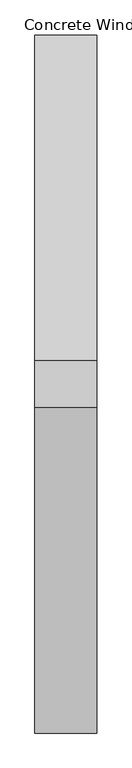
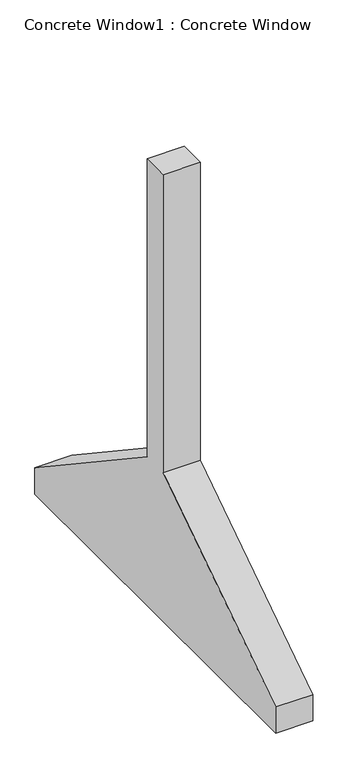
"""IFC4 building model written with IfcOpenShell, lengths in millimetres: proxy geometry, Concrete Window1 : Concrete Window."""

from ifc_helpers import new_model, si_unit, frame, origin, place, context, project, spatial, polyline, outline, extrude, source, transform, mapped, element, save


def concrete_window1_concrete_window_31942a2d(model_context):
    return source(origin(), model_context, "Body", "SweptSolid", [
        extrude(outline(polyline([(-79864.2462505, 0.0), (-79864.2462505, 152.4), (-78797.4462505, 863.6), (-78797.4462505, 2590.8), (-78645.0462505, 2590.8), (-78645.0462505, 863.6), (-77578.2462505, 152.4), (-77578.2462505, 0.0), (-79864.2462505, 0.0)])), frame((262034.8043688, 0.0, 0.0), z_axis=(1.0, 0.0, 0.0), x_axis=(0.0, 1.0, 0.0)), (0.0, 0.0, 1.0), 203.2),
    ])


if __name__ == "__main__":
    model = new_model("IFC4")
    model_context = context("Model", 3, world=origin())
    ifc_project = project(units=[si_unit("LENGTHUNIT", "METRE", prefix="MILLI")], contexts=[model_context])
    site = spatial("IfcSite", under=ifc_project)
    building = spatial("IfcBuilding", under=site)
    placement = place(None, origin())
    concrete_window1_concrete_window_shape = concrete_window1_concrete_window_31942a2d(model_context)
    element("IfcBuildingElementProxy", 1, Name="Concrete Window1 : Concrete Window", ObjectType="Concrete Window1 : Concrete Window", at=placement, inside=building, context=model_context, shape_type="MappedRepresentation", body=[
        mapped(concrete_window1_concrete_window_shape, transform((0.0, 0.0, 0.0), x_axis=(1.0, 0.0, 0.0), y_axis=(0.0, 1.0, 0.0), z_axis=(0.0, 0.0, 1.0))),
    ])
    save(model, "model.ifc")
